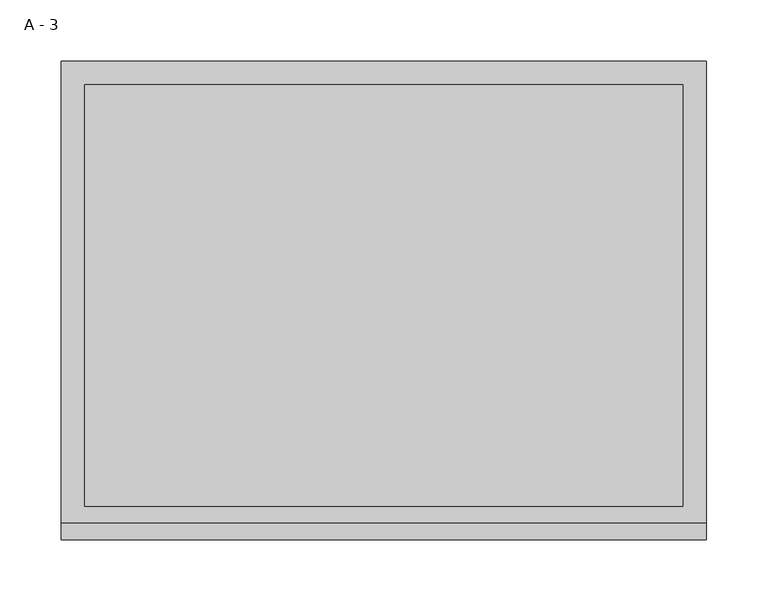
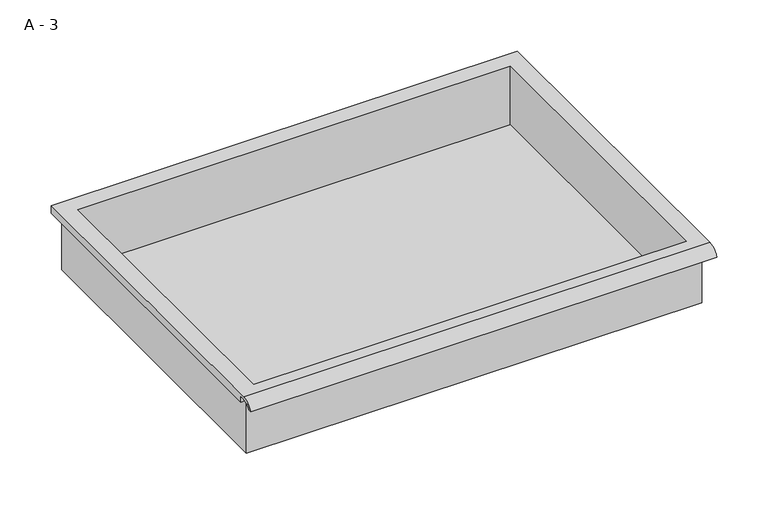
"""IFC4 building model written with IfcOpenShell, lengths in millimetres: furniture geometry, A - 3."""

from ifc_helpers import new_model, si_unit, frame, origin, place, context, project, spatial, polyline, circle_curve, source, transform, mapped, element, save
from ifc_brep_helpers import plane_surface, cylinder_surface, revolved_surface, advanced_brep


def a_3_67535959(model_context):
    return source(origin(), model_context, "Body", "AdvancedBrep", [
        advanced_brep(
        [(-257.1076517, -176.2125, 665.94482), (257.2423483, -176.2125, 665.94482), (257.2423483, -176.2125, 729.44482), (263.5923483, -176.2125, 729.44482), (263.5923483, -176.2125, 735.7519541), (-263.4576517, -176.2125, 735.7519541), (-263.4576517, -176.2125, 729.44482), (-257.1076517, -176.2125, 729.44482), (257.2423483, 185.7375, 665.94482), (-257.1076517, 185.7375, 665.94482), (-257.1076517, 185.7375, 729.44482), (257.2423483, 185.7375, 729.44482), (263.5923483, -181.6070544, 738.96982), (263.5923483, 195.2625, 738.96982), (-263.4576517, 195.2625, 738.96982), (-263.4576517, -181.6070544, 738.96982), (244.5423483, -168.275, 738.96982), (-244.4076517, -168.275, 738.96982), (-244.4076517, 176.2125, 738.96982), (244.5423483, 176.2125, 738.96982), (263.5923483, -195.2625, 729.44482), (263.5923483, -191.8280601, 729.44482), (263.5923483, -180.4714815, 735.7519541), (263.5923483, 195.2625, 729.44482), (-263.4576517, 195.2625, 729.44482), (-263.4576517, -180.4714815, 735.7519541), (-263.4576517, -191.8280601, 729.44482), (-263.4576517, -195.2625, 729.44482), (-244.4076517, -168.275, 668.9709919), (244.5423483, -168.275, 668.9709919), (244.5423483, 176.2125, 668.9709919), (-244.4076517, 176.2125, 668.9709919)],
        [
            (0, 1),
            (1, 2),
            (2, 3),
            (3, 4),
            (4, 5),
            (5, 6),
            (6, 7),
            (7, 0),
            (8, 9),
            (9, 10),
            (10, 11),
            (11, 8),
            (0, 9),
            (8, 1),
            (11, 2),
            (12, 13),
            (13, 14),
            (14, 15),
            (15, 12),
            (16, 17),
            (17, 18),
            (18, 19),
            (19, 16),
            (7, 10),
            (12, 20, circle_curve(frame((263.5923483, -181.6070544, 724.4188059), z_axis=(1.0, 0.0, 0.0), x_axis=(0.0, 1.0, 0.0)), 14.5510141)),
            (20, 21),
            (21, 22, circle_curve(frame((263.5923483, -181.6070544, 724.4188059), z_axis=(-1.0, 0.0, 0.0), x_axis=(0.0, 1.0, 0.0)), 11.3898979)),
            (22, 4),
            (3, 23),
            (23, 13),
            (14, 24),
            (24, 6),
            (5, 25),
            (25, 26, circle_curve(frame((-263.4576517, -181.6070544, 724.4188059), z_axis=(1.0, 0.0, 0.0), x_axis=(0.0, 1.0, 0.0)), 11.3898979)),
            (26, 27),
            (27, 15, circle_curve(frame((-263.4576517, -181.6070544, 724.4188059), z_axis=(-1.0, 0.0, 0.0), x_axis=(0.0, 1.0, 0.0)), 14.5510141)),
            (27, 20),
            (26, 21),
            (25, 22),
            (24, 23),
            (28, 29),
            (29, 30),
            (30, 31),
            (31, 28),
            (28, 17),
            (16, 29),
            (19, 30),
            (18, 31),
        ],
        [
            plane_surface(frame((257.2423483, -176.2125, 665.94482), z_axis=(0.0, -1.0, 0.0), x_axis=(1.0, 0.0, 0.0))),
            plane_surface(frame((257.2423483, 185.7375, 665.94482), z_axis=(0.0, 1.0, 0.0), x_axis=(-1.0, 0.0, 0.0))),
            plane_surface(frame((-257.1076517, -176.2125, 665.94482), z_axis=(0.0, 0.0, -1.0), x_axis=(0.0, 1.0, 0.0))),
            plane_surface(frame((257.2423483, -176.2125, 665.94482), z_axis=(1.0, 0.0, 0.0), x_axis=(0.0, 1.0, 0.0))),
            plane_surface(frame((257.2423483, -176.2125, 738.96982), z_axis=(0.0, 0.0, 1.0), x_axis=(0.0, 1.0, 0.0))),
            plane_surface(frame((-257.1076517, -176.2125, 738.96982), z_axis=(-1.0, 0.0, 0.0), x_axis=(0.0, 1.0, 0.0))),
            plane_surface(frame((263.5923483, 195.2625, 738.96982), z_axis=(1.0, 0.0, 0.0), x_axis=(0.0, -1.0, 0.0))),
            plane_surface(frame((-263.4576517, 195.2625, 738.96982), z_axis=(-1.0, 0.0, 0.0), x_axis=(0.0, 1.0, 0.0))),
            cylinder_surface(frame((-263.4576517, -181.6070544, 724.4188059), z_axis=(1.0, 0.0, 0.0), x_axis=(0.0, 1.0, 0.0)), 14.5510141),
            plane_surface(frame((263.5923483, -195.2625, 729.44482), z_axis=(0.0, -7.212409108515683e-12, -1.0), x_axis=(-1.0, 0.0, 0.0))),
            revolved_surface(polyline([(-263.4576517, -170.21715650000002, 724.4188059), (263.59234829999997, -170.21715650000002, 724.4188059)]), (-263.4576517, -181.6070544, 724.4188059), (-1.0, 0.0, 0.0)),
            plane_surface(frame((263.5923483, -180.4714815, 735.7519541), z_axis=(0.0, -1.786141026417801e-11, -1.0), x_axis=(-1.0, 0.0, 0.0))),
            plane_surface(frame((263.5923483, -176.2125, 729.44482), z_axis=(0.0, 0.0, -1.0), x_axis=(-1.0, 0.0, 0.0))),
            plane_surface(frame((263.5923483, 195.2625, 729.44482), z_axis=(0.0, 1.0, 0.0), x_axis=(-1.0, 0.0, 0.0))),
            plane_surface(frame((244.5423483, -168.275, 668.9709919), z_axis=(0.0, 0.0, 1.0), x_axis=(-1.0, 0.0, 0.0))),
            plane_surface(frame((-244.4076517, -168.275, 738.96982), z_axis=(0.0, 1.0, 0.0), x_axis=(0.0, 0.0, -1.0))),
            plane_surface(frame((244.5423483, -168.275, 738.96982), z_axis=(-1.0, 0.0, 0.0), x_axis=(0.0, 0.0, -1.0))),
            plane_surface(frame((244.5423483, 176.2125, 738.96982), z_axis=(0.0, -1.0, 0.0), x_axis=(0.0, 0.0, -1.0))),
            plane_surface(frame((-244.4076517, 176.2125, 738.96982), z_axis=(1.0, 0.0, 0.0), x_axis=(0.0, 0.0, -1.0))),
        ],
        [
            (0, [[1, 2, 3, 4, 5, 6, 7, 8]]),
            (1, [[9, 10, 11, 12]]),
            (2, [[-1, 13, -9, 14]]),
            (3, [[-14, -12, 15, -2]]),
            (4, [[16, 17, 18, 19], [20, 21, 22, 23]]),
            (5, [[-13, -8, 24, -10]]),
            (6, [[-16, 25, 26, 27, 28, -4, 29, 30]]),
            (7, [[31, 32, -6, 33, 34, 35, 36, -18]]),
            (8, [[-25, -19, -36, 37]]),
            (9, [[-26, -37, -35, 38]]),
            (10, [[-27, -38, -34, 39]]),
            (11, [[-28, -39, -33, -5]]),
            (12, [[-29, -3, -15, -11, -24, -7, -32, 40]]),
            (13, [[-30, -40, -31, -17]]),
            (14, [[41, 42, 43, 44]]),
            (15, [[-41, 45, -20, 46]]),
            (16, [[-42, -46, -23, 47]]),
            (17, [[-43, -47, -22, 48]]),
            (18, [[-44, -48, -21, -45]]),
        ],
    ),
    ])


if __name__ == "__main__":
    model = new_model("IFC4")
    model_context = context("Model", 3, world=origin())
    ifc_project = project(units=[si_unit("LENGTHUNIT", "METRE", prefix="MILLI")], contexts=[model_context])
    site = spatial("IfcSite", under=ifc_project)
    building = spatial("IfcBuilding", under=site)
    placement = place(None, origin())
    a_3_shape = a_3_67535959(model_context)
    element("IfcFurniture", 1, ObjectType="A - 3", at=placement, inside=building, context=model_context, shape_type="MappedRepresentation", body=[
        mapped(a_3_shape, transform((0.0, 0.0, 0.0), x_axis=(1.0, 0.0, 0.0), y_axis=(0.0, 1.0, 0.0), z_axis=(0.0, 0.0, 1.0))),
    ])
    save(model, "model.ifc")
